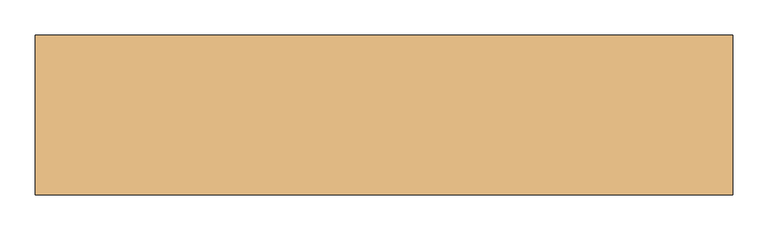
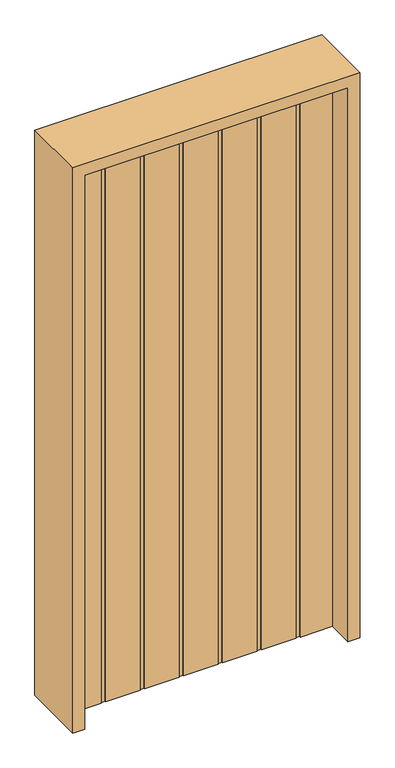
"""IFC4 building model written with IfcOpenShell, lengths in millimetres: door geometry."""

from ifc_helpers import new_model, si_unit, frame, origin, origin_with_axes, place, context, project, spatial, polyline, outline, extrude, source, transform, mapped, element, save


def door_6665942f(model_context):
    return source(origin(), model_context, "Body", "SweptSolid", [
        extrude(outline(polyline([(-457.2, -20.6375), (-457.2, 20.6375), (-345.9757813, 20.6375), (-345.9757813, 17.4625), (-330.6960938, 17.4625), (-330.6960938, 20.6375), (-210.6414063, 20.6375), (-210.6414063, 17.4625), (-195.3617188, 17.4625), (-195.3617188, 20.6375), (-75.3070313, 20.6375), (-75.3070313, 17.4625), (-60.0273438, 17.4625), (-60.0273438, 20.6375), (60.0273437, 20.6375), (60.0273437, 17.4625), (75.3070312, 17.4625), (75.3070312, 20.6375), (195.3617187, 20.6375), (195.3617187, 17.4625), (210.6414062, 17.4625), (210.6414062, 20.6375), (330.6960937, 20.6375), (330.6960937, 17.4625), (345.9757812, 17.4625), (345.9757812, 20.6375), (457.2, 20.6375), (457.2, -20.6375), (345.9757812, -20.6375), (345.9757812, -17.4625), (330.6960937, -17.4625), (330.6960937, -20.6375), (210.6414062, -20.6375), (210.6414062, -17.4625), (195.3617187, -17.4625), (195.3617187, -20.6375), (75.3070312, -20.6375), (75.3070312, -17.4625), (60.0273437, -17.4625), (60.0273437, -20.6375), (-60.0273438, -20.6375), (-60.0273438, -17.4625), (-75.3070313, -17.4625), (-75.3070313, -20.6375), (-195.3617188, -20.6375), (-195.3617188, -17.4625), (-210.6414063, -17.4625), (-210.6414063, -20.6375), (-330.6960938, -20.6375), (-330.6960938, -17.4625), (-345.9757813, -17.4625), (-345.9757813, -20.6375), (-457.2, -20.6375)])), origin_with_axes(), (0.0, 0.0, 1.0), 2032.0),
        extrude(outline(polyline([(2073.275, -498.475), (0.0, -498.475), (0.0, -457.2), (2032.0, -457.2), (2032.0, 457.2), (0.0, 457.2), (0.0, 498.475), (2073.275, 498.475), (2073.275, -498.475)])), frame((0.0, -114.3, 0.0), z_axis=(0.0, 1.0, 0.0), x_axis=(0.0, 0.0, 1.0)), (0.0, 0.0, 1.0), 228.6),
    ])


if __name__ == "__main__":
    model = new_model("IFC4")
    model_context = context("Model", 3, world=origin())
    ifc_project = project(units=[si_unit("LENGTHUNIT", "METRE", prefix="MILLI")], contexts=[model_context])
    site = spatial("IfcSite", under=ifc_project)
    building = spatial("IfcBuilding", under=site)
    placement = place(None, origin())
    door_shape = door_6665942f(model_context)
    element("IfcDoor", 1, at=placement, inside=building, context=model_context, shape_type="MappedRepresentation", body=[
        mapped(door_shape, transform((0.0, 0.0, 0.0), x_axis=(1.0, 0.0, 0.0), y_axis=(0.0, 1.0, 0.0), z_axis=(0.0, 0.0, 1.0))),
    ])
    save(model, "model.ifc")
